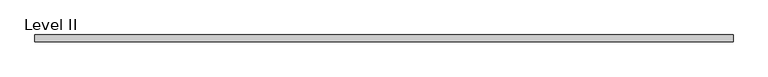
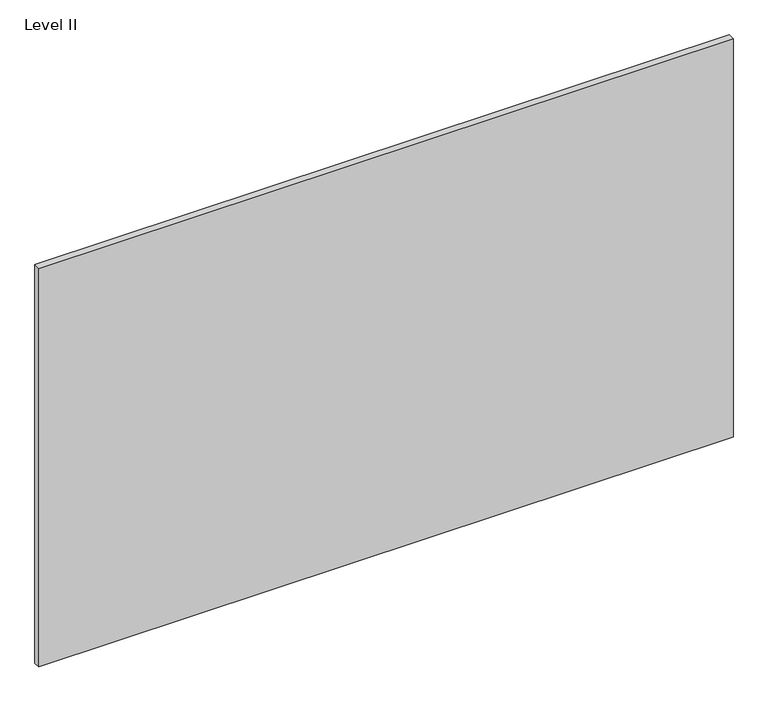
"""IFC4 building model written with IfcOpenShell, lengths in millimetres: proxy geometry, Level II."""

import ifcopenshell
import ifcopenshell.guid

model = None  # the IFC model being written
_history = None  # IfcOwnerHistory: only IFC2X3 demands one
_inside = {}  # id of a spatial element -> (the spatial element, [elements in it])
_under = {}  # id of a project, library or spatial element -> (it, [spatial elements below it])
_declared = {}  # id of a project -> (the project, [libraries it declares])
_typed = {}  # id of a type object -> (the type object, [elements of that type])
_made_of = {}  # id of a material, layer set ... -> (it, [elements and type objects made of it])


def new_model(schema):
    """Start an empty IFC model of exactly this schema.

    Asked for "IFC4X3", IfcOpenShell would pick the latest addendum, in which some entities
    have other attributes; the version numbers below select the first issue.
    IFC2X3 requires an IfcOwnerHistory on every rooted entity: one is made here for all.
    """
    global model, _history
    if schema == "IFC4X3":
        model = ifcopenshell.file(schema_version=(4, 3, 0, 0))
    else:
        model = ifcopenshell.file(schema=schema)
    _inside.clear()
    _under.clear()
    _declared.clear()
    _typed.clear()
    _made_of.clear()
    _history = None
    if model.schema == "IFC2X3":
        org = make("IfcOrganization", Name="unknown")
        user = make(
            "IfcPersonAndOrganization",
            ThePerson=make("IfcPerson", FamilyName="unknown"),
            TheOrganization=org,
        )
        app = make(
            "IfcApplication",
            ApplicationDeveloper=org,
            Version="unknown",
            ApplicationFullName="unknown",
            ApplicationIdentifier="unknown",
        )
        _history = make(
            "IfcOwnerHistory",
            OwningUser=user,
            OwningApplication=app,
            ChangeAction="ADDED",
            CreationDate=0,
        )
    return model


def make(cls, **values):
    """One entity of the class cls with the attributes given. An attribute that is None is left unset."""
    return model.create_entity(
        cls, **{name: value for name, value in values.items() if value is not None}
    )


def rooted(cls, **values):
    """An entity with a GlobalId (a new one), such as an element, a storey or a relation."""
    return make(cls, GlobalId=ifcopenshell.guid.new(), OwnerHistory=_history, **values)


def si_unit(unit_type, name, prefix=None):
    """IfcSIUnit, for example si_unit("LENGTHUNIT", "METRE", prefix="MILLI")."""
    return make("IfcSIUnit", UnitType=unit_type, Prefix=prefix, Name=name)


def assignment(units):
    """IfcUnitAssignment: the units of a project."""
    return None if units is None else make("IfcUnitAssignment", Units=units)


def point(xyz):
    """IfcCartesianPoint."""
    return None if xyz is None else make("IfcCartesianPoint", Coordinates=xyz)


def direction(xyz):
    """IfcDirection."""
    return None if xyz is None else make("IfcDirection", DirectionRatios=xyz)


def frame(location, z_axis=None, x_axis=None):
    """IfcAxis2Placement3D, a coordinate frame: its origin and axes. An axis left out is left unset."""
    return make(
        "IfcAxis2Placement3D",
        Location=point(location),
        Axis=direction(z_axis),
        RefDirection=direction(x_axis),
    )


def origin():
    """The frame at (0, 0, 0) with its axes left unset."""
    return frame((0.0, 0.0, 0.0))


def place(relative_to, where):
    """IfcLocalPlacement: puts the frame where relative to a parent placement (None: the world)."""
    return make(
        "IfcLocalPlacement", PlacementRelTo=relative_to, RelativePlacement=where
    )


def context(
    kind, dimensions, precision=None, world=None, true_north=None, identifier=None
):
    """IfcGeometricRepresentationContext, for example the 3D "Model" context."""
    return make(
        "IfcGeometricRepresentationContext",
        ContextIdentifier=identifier,
        ContextType=kind,
        CoordinateSpaceDimension=dimensions,
        Precision=precision,
        WorldCoordinateSystem=world,
        TrueNorth=true_north,
    )


def project(units=None, contexts=None):
    """IfcProject with its units and contexts."""
    return rooted(
        "IfcProject",
        Name="project",
        RepresentationContexts=contexts,
        UnitsInContext=assignment(units),
    )


def spatial(cls, under=None, at=None, **own):
    """A site, building, storey or space (cls), placed at a placement, below another one or the project."""
    s = rooted(cls, ObjectPlacement=at, **own)
    if under is not None:
        _under.setdefault(under.id(), (under, []))[1].append(s)
    return s


def polyline(points):
    """IfcPolyline through the points."""
    return make("IfcPolyline", Points=[point(p) for p in points])


def outline(outer, holes=None, kind="AREA"):
    """IfcArbitraryClosedProfileDef: a profile drawn as a closed curve; with holes, ...WithVoids."""
    if holes is None:
        return make("IfcArbitraryClosedProfileDef", ProfileType=kind, OuterCurve=outer)
    return make(
        "IfcArbitraryProfileDefWithVoids",
        ProfileType=kind,
        OuterCurve=outer,
        InnerCurves=holes,
    )


def extrude(swept, where, along, depth):
    """IfcExtrudedAreaSolid: the profile swept, set in the frame where, extruded along a direction by depth."""
    return make(
        "IfcExtrudedAreaSolid",
        SweptArea=swept,
        Position=where,
        ExtrudedDirection=direction(along),
        Depth=depth,
    )


def shape(context_of_items, identifier, shape_type, items):
    """IfcShapeRepresentation: the items that make up one representation, for example the "Body"."""
    return make(
        "IfcShapeRepresentation",
        ContextOfItems=context_of_items,
        RepresentationIdentifier=identifier,
        RepresentationType=shape_type,
        Items=items,
    )


def source(mapping_origin, context_of_items, identifier, shape_type, items):
    """IfcRepresentationMap: a shape defined once, which mapped items show again and again."""
    return make(
        "IfcRepresentationMap",
        MappingOrigin=mapping_origin,
        MappedRepresentation=shape(context_of_items, identifier, shape_type, items),
    )


def transform(
    local_origin,
    x_axis=None,
    y_axis=None,
    z_axis=None,
    scale=None,
    scale2=None,
    scale3=None,
    uniform=True,
):
    """IfcCartesianTransformationOperator3D, or its non-uniform kind. x_axis, y_axis, z_axis: its Axis1, 2, 3."""
    if uniform:
        return make(
            "IfcCartesianTransformationOperator3D",
            Axis1=direction(x_axis),
            Axis2=direction(y_axis),
            LocalOrigin=point(local_origin),
            Scale=scale,
            Axis3=direction(z_axis),
        )
    return make(
        "IfcCartesianTransformationOperator3DnonUniform",
        Axis1=direction(x_axis),
        Axis2=direction(y_axis),
        LocalOrigin=point(local_origin),
        Scale=scale,
        Axis3=direction(z_axis),
        Scale2=scale2,
        Scale3=scale3,
    )


def mapped(mapping_source, mapping_target):
    """IfcMappedItem: shows the shape of a source again, moved by a transform."""
    return make(
        "IfcMappedItem", MappingSource=mapping_source, MappingTarget=mapping_target
    )


def made_of(thing, what):
    """Note that an element or type object is made of a material, layer set ...; save() writes the relation."""
    if what is not None:
        _made_of.setdefault(what.id(), (what, []))[1].append(thing)
    return thing


def element(
    cls,
    number,
    at=None,
    inside=None,
    cuts=None,
    type_object=None,
    material=None,
    context=None,
    identifier="Body",
    shape_type=None,
    held_by="IfcProductDefinitionShape",
    body=None,
    shapes=None,
    **own,
):
    """One element of the class cls, such as IfcWall. Its Tag is "e" and its number.

    at: its placement. inside: the storey or other place that contains it. cuts: it is an
    opening in that element (IfcRelVoidsElement). A single representation is given by context,
    identifier, shape_type and body (its items); several are given by shapes. held_by: the class
    of the entity that holds the representations. save() writes the other relations.
    """
    e = rooted(cls, Tag="e%d" % number, ObjectPlacement=at, **own)
    if body is not None:
        shapes = [shape(context, identifier, shape_type, body)]
    if shapes is not None:
        e.Representation = make(held_by, Representations=shapes)
    if inside is not None:
        _inside.setdefault(inside.id(), (inside, []))[1].append(e)
    if cuts is not None:
        rooted(
            "IfcRelVoidsElement", RelatingBuildingElement=cuts, RelatedOpeningElement=e
        )
    if type_object is not None:
        _typed.setdefault(type_object.id(), (type_object, []))[1].append(e)
    return made_of(e, material)


def aggregate(whole, parts):
    """IfcRelAggregates: a whole, such as a stair, and the parts it consists of."""
    return rooted("IfcRelAggregates", RelatingObject=whole, RelatedObjects=parts)


def save(model, path):
    """Write the relations noted so far, then the file.

    IfcRelAggregates (storeys below a building ...), IfcRelContainedInSpatialStructure (elements
    in a storey), IfcRelDefinesByType, IfcRelAssociatesMaterial and IfcRelDeclares: one each for
    every whole, place, type object, material and project.
    """
    for whole, parts in _under.values():
        aggregate(whole, parts)
    for where, things in _inside.values():
        rooted(
            "IfcRelContainedInSpatialStructure",
            RelatedElements=things,
            RelatingStructure=where,
        )
    for kind, things in _typed.values():
        rooted("IfcRelDefinesByType", RelatedObjects=things, RelatingType=kind)
    for what, things in _made_of.values():
        rooted("IfcRelAssociatesMaterial", RelatedObjects=things, RelatingMaterial=what)
    for by, libraries in _declared.values():
        rooted("IfcRelDeclares", RelatingContext=by, RelatedDefinitions=libraries)
    model.write(path)


def level_ii_0c7391c9(model_context):
    return source(origin(), model_context, "Body", "SweptSolid", [
        extrude(outline(polyline([(998.8407125, -9.525), (-998.8407125, -9.525), (-998.8407125, 9.525), (998.8407125, 9.525), (998.8407125, -9.525)])), frame((0.0, 0.0, 3.175), z_axis=(0.0, 0.0, 1.0), x_axis=(1.0, 0.0, 0.0)), (0.0, 0.0, 1.0), 1212.85),
    ])


if __name__ == "__main__":
    model = new_model("IFC4")
    model_context = context("Model", 3, world=origin())
    ifc_project = project(units=[si_unit("LENGTHUNIT", "METRE", prefix="MILLI")], contexts=[model_context])
    site = spatial("IfcSite", under=ifc_project)
    building = spatial("IfcBuilding", under=site)
    placement = place(None, origin())
    level_ii_shape = level_ii_0c7391c9(model_context)
    element("IfcBuildingElementProxy", 1, Name="Level II", ObjectType="Level II", at=placement, inside=building, context=model_context, shape_type="MappedRepresentation", body=[
        mapped(level_ii_shape, transform((0.0, 0.0, 0.0), x_axis=(1.0, 0.0, 0.0), y_axis=(0.0, 1.0, 0.0), z_axis=(0.0, 0.0, 1.0))),
    ])
    save(model, "model.ifc")
